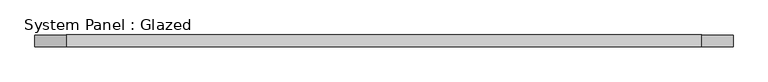
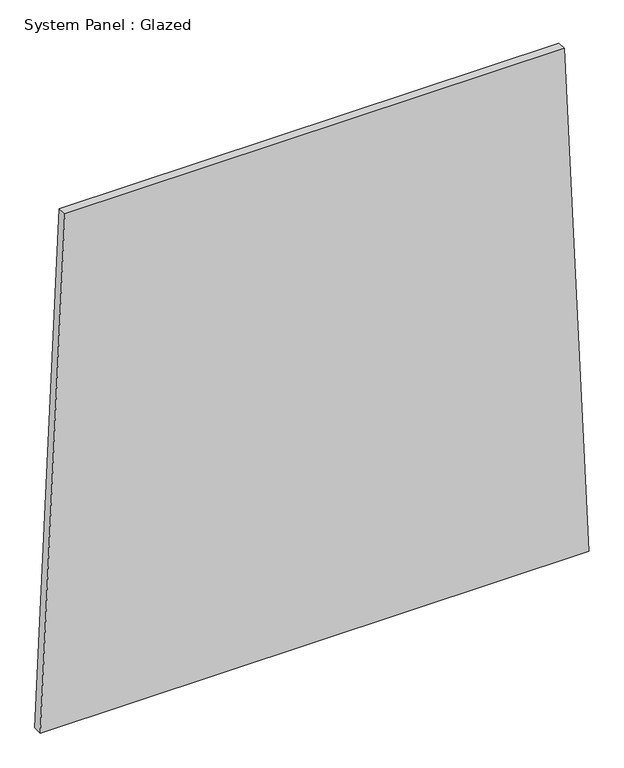
"""IFC4 building model written with IfcOpenShell, lengths in millimetres: plate geometry, System Panel : Glazed."""

from ifc_helpers import new_model, si_unit, frame, origin, place, context, project, spatial, polyline, outline, extrude, source, transform, mapped, element, save


def system_panel_glazed_79e9acd9(model_context):
    return source(origin(), model_context, "Body", "SweptSolid", [
        extrude(outline(polyline([(0.0, -735.6955843), (0.0, 735.6955843), (1448.4523896, 669.8537642), (1448.4523891, -669.846505), (0.0, -735.6955843)])), frame((0.0, -49.5, 0.0), z_axis=(0.0, 1.0, 0.0), x_axis=(0.0, 0.0, 1.0)), (0.0, 0.0, 1.0), 25.0),
    ])


if __name__ == "__main__":
    model = new_model("IFC4")
    model_context = context("Model", 3, world=origin())
    ifc_project = project(units=[si_unit("LENGTHUNIT", "METRE", prefix="MILLI")], contexts=[model_context])
    site = spatial("IfcSite", under=ifc_project)
    building = spatial("IfcBuilding", under=site)
    placement = place(None, origin())
    system_panel_glazed_shape = system_panel_glazed_79e9acd9(model_context)
    element("IfcPlate", 1, ObjectType="System Panel : Glazed", at=placement, inside=building, context=model_context, shape_type="MappedRepresentation", body=[
        mapped(system_panel_glazed_shape, transform((0.0, 0.0, 0.0), x_axis=(1.0, 0.0, 0.0), y_axis=(0.0, 1.0, 0.0), z_axis=(0.0, 0.0, 1.0))),
    ])
    save(model, "model.ifc")
